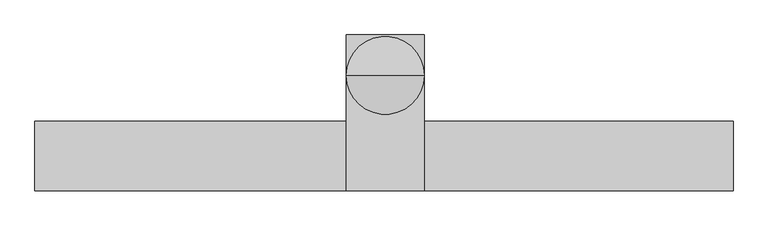
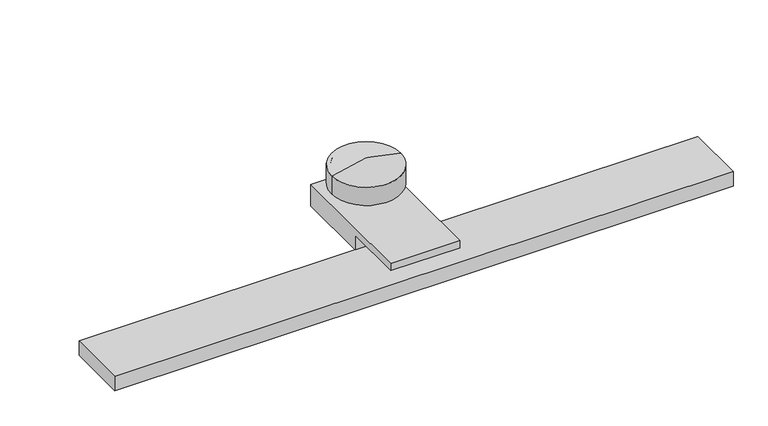
"""IFC4 building model written with IfcOpenShell, lengths in millimetres: geographic element geometry."""

import ifcopenshell
import ifcopenshell.guid

model = None  # the IFC model being written
_history = None  # IfcOwnerHistory: only IFC2X3 demands one
_inside = {}  # id of a spatial element -> (the spatial element, [elements in it])
_under = {}  # id of a project, library or spatial element -> (it, [spatial elements below it])
_declared = {}  # id of a project -> (the project, [libraries it declares])
_typed = {}  # id of a type object -> (the type object, [elements of that type])
_made_of = {}  # id of a material, layer set ... -> (it, [elements and type objects made of it])


def new_model(schema):
    """Start an empty IFC model of exactly this schema.

    Asked for "IFC4X3", IfcOpenShell would pick the latest addendum, in which some entities
    have other attributes; the version numbers below select the first issue.
    IFC2X3 requires an IfcOwnerHistory on every rooted entity: one is made here for all.
    """
    global model, _history
    if schema == "IFC4X3":
        model = ifcopenshell.file(schema_version=(4, 3, 0, 0))
    else:
        model = ifcopenshell.file(schema=schema)
    _inside.clear()
    _under.clear()
    _declared.clear()
    _typed.clear()
    _made_of.clear()
    _history = None
    if model.schema == "IFC2X3":
        org = make("IfcOrganization", Name="unknown")
        user = make(
            "IfcPersonAndOrganization",
            ThePerson=make("IfcPerson", FamilyName="unknown"),
            TheOrganization=org,
        )
        app = make(
            "IfcApplication",
            ApplicationDeveloper=org,
            Version="unknown",
            ApplicationFullName="unknown",
            ApplicationIdentifier="unknown",
        )
        _history = make(
            "IfcOwnerHistory",
            OwningUser=user,
            OwningApplication=app,
            ChangeAction="ADDED",
            CreationDate=0,
        )
    return model


def make(cls, **values):
    """One entity of the class cls with the attributes given. An attribute that is None is left unset."""
    return model.create_entity(
        cls, **{name: value for name, value in values.items() if value is not None}
    )


def rooted(cls, **values):
    """An entity with a GlobalId (a new one), such as an element, a storey or a relation."""
    return make(cls, GlobalId=ifcopenshell.guid.new(), OwnerHistory=_history, **values)


def si_unit(unit_type, name, prefix=None):
    """IfcSIUnit, for example si_unit("LENGTHUNIT", "METRE", prefix="MILLI")."""
    return make("IfcSIUnit", UnitType=unit_type, Prefix=prefix, Name=name)


def assignment(units):
    """IfcUnitAssignment: the units of a project."""
    return None if units is None else make("IfcUnitAssignment", Units=units)


def point(xyz):
    """IfcCartesianPoint."""
    return None if xyz is None else make("IfcCartesianPoint", Coordinates=xyz)


def direction(xyz):
    """IfcDirection."""
    return None if xyz is None else make("IfcDirection", DirectionRatios=xyz)


def frame(location, z_axis=None, x_axis=None):
    """IfcAxis2Placement3D, a coordinate frame: its origin and axes. An axis left out is left unset."""
    return make(
        "IfcAxis2Placement3D",
        Location=point(location),
        Axis=direction(z_axis),
        RefDirection=direction(x_axis),
    )


def origin():
    """The frame at (0, 0, 0) with its axes left unset."""
    return frame((0.0, 0.0, 0.0))


def place(relative_to, where):
    """IfcLocalPlacement: puts the frame where relative to a parent placement (None: the world)."""
    return make(
        "IfcLocalPlacement", PlacementRelTo=relative_to, RelativePlacement=where
    )


def context(
    kind, dimensions, precision=None, world=None, true_north=None, identifier=None
):
    """IfcGeometricRepresentationContext, for example the 3D "Model" context."""
    return make(
        "IfcGeometricRepresentationContext",
        ContextIdentifier=identifier,
        ContextType=kind,
        CoordinateSpaceDimension=dimensions,
        Precision=precision,
        WorldCoordinateSystem=world,
        TrueNorth=true_north,
    )


def project(units=None, contexts=None):
    """IfcProject with its units and contexts."""
    return rooted(
        "IfcProject",
        Name="project",
        RepresentationContexts=contexts,
        UnitsInContext=assignment(units),
    )


def spatial(cls, under=None, at=None, **own):
    """A site, building, storey or space (cls), placed at a placement, below another one or the project."""
    s = rooted(cls, ObjectPlacement=at, **own)
    if under is not None:
        _under.setdefault(under.id(), (under, []))[1].append(s)
    return s


def polyline(points):
    """IfcPolyline through the points."""
    return make("IfcPolyline", Points=[point(p) for p in points])


def circle_curve(where, radius):
    """IfcCircle in the frame where."""
    return make("IfcCircle", Position=where, Radius=radius)


def outline(outer, holes=None, kind="AREA"):
    """IfcArbitraryClosedProfileDef: a profile drawn as a closed curve; with holes, ...WithVoids."""
    if holes is None:
        return make("IfcArbitraryClosedProfileDef", ProfileType=kind, OuterCurve=outer)
    return make(
        "IfcArbitraryProfileDefWithVoids",
        ProfileType=kind,
        OuterCurve=outer,
        InnerCurves=holes,
    )


def extrude(swept, where, along, depth):
    """IfcExtrudedAreaSolid: the profile swept, set in the frame where, extruded along a direction by depth."""
    return make(
        "IfcExtrudedAreaSolid",
        SweptArea=swept,
        Position=where,
        ExtrudedDirection=direction(along),
        Depth=depth,
    )


def shape(context_of_items, identifier, shape_type, items):
    """IfcShapeRepresentation: the items that make up one representation, for example the "Body"."""
    return make(
        "IfcShapeRepresentation",
        ContextOfItems=context_of_items,
        RepresentationIdentifier=identifier,
        RepresentationType=shape_type,
        Items=items,
    )


def source(mapping_origin, context_of_items, identifier, shape_type, items):
    """IfcRepresentationMap: a shape defined once, which mapped items show again and again."""
    return make(
        "IfcRepresentationMap",
        MappingOrigin=mapping_origin,
        MappedRepresentation=shape(context_of_items, identifier, shape_type, items),
    )


def transform(
    local_origin,
    x_axis=None,
    y_axis=None,
    z_axis=None,
    scale=None,
    scale2=None,
    scale3=None,
    uniform=True,
):
    """IfcCartesianTransformationOperator3D, or its non-uniform kind. x_axis, y_axis, z_axis: its Axis1, 2, 3."""
    if uniform:
        return make(
            "IfcCartesianTransformationOperator3D",
            Axis1=direction(x_axis),
            Axis2=direction(y_axis),
            LocalOrigin=point(local_origin),
            Scale=scale,
            Axis3=direction(z_axis),
        )
    return make(
        "IfcCartesianTransformationOperator3DnonUniform",
        Axis1=direction(x_axis),
        Axis2=direction(y_axis),
        LocalOrigin=point(local_origin),
        Scale=scale,
        Axis3=direction(z_axis),
        Scale2=scale2,
        Scale3=scale3,
    )


def mapped(mapping_source, mapping_target):
    """IfcMappedItem: shows the shape of a source again, moved by a transform."""
    return make(
        "IfcMappedItem", MappingSource=mapping_source, MappingTarget=mapping_target
    )


def made_of(thing, what):
    """Note that an element or type object is made of a material, layer set ...; save() writes the relation."""
    if what is not None:
        _made_of.setdefault(what.id(), (what, []))[1].append(thing)
    return thing


def element(
    cls,
    number,
    at=None,
    inside=None,
    cuts=None,
    type_object=None,
    material=None,
    context=None,
    identifier="Body",
    shape_type=None,
    held_by="IfcProductDefinitionShape",
    body=None,
    shapes=None,
    **own,
):
    """One element of the class cls, such as IfcWall. Its Tag is "e" and its number.

    at: its placement. inside: the storey or other place that contains it. cuts: it is an
    opening in that element (IfcRelVoidsElement). A single representation is given by context,
    identifier, shape_type and body (its items); several are given by shapes. held_by: the class
    of the entity that holds the representations. save() writes the other relations.
    """
    e = rooted(cls, Tag="e%d" % number, ObjectPlacement=at, **own)
    if body is not None:
        shapes = [shape(context, identifier, shape_type, body)]
    if shapes is not None:
        e.Representation = make(held_by, Representations=shapes)
    if inside is not None:
        _inside.setdefault(inside.id(), (inside, []))[1].append(e)
    if cuts is not None:
        rooted(
            "IfcRelVoidsElement", RelatingBuildingElement=cuts, RelatedOpeningElement=e
        )
    if type_object is not None:
        _typed.setdefault(type_object.id(), (type_object, []))[1].append(e)
    return made_of(e, material)


def aggregate(whole, parts):
    """IfcRelAggregates: a whole, such as a stair, and the parts it consists of."""
    return rooted("IfcRelAggregates", RelatingObject=whole, RelatedObjects=parts)


def save(model, path):
    """Write the relations noted so far, then the file.

    IfcRelAggregates (storeys below a building ...), IfcRelContainedInSpatialStructure (elements
    in a storey), IfcRelDefinesByType, IfcRelAssociatesMaterial and IfcRelDeclares: one each for
    every whole, place, type object, material and project.
    """
    for whole, parts in _under.values():
        aggregate(whole, parts)
    for where, things in _inside.values():
        rooted(
            "IfcRelContainedInSpatialStructure",
            RelatedElements=things,
            RelatingStructure=where,
        )
    for kind, things in _typed.values():
        rooted("IfcRelDefinesByType", RelatedObjects=things, RelatingType=kind)
    for what, things in _made_of.values():
        rooted("IfcRelAssociatesMaterial", RelatedObjects=things, RelatingMaterial=what)
    for by, libraries in _declared.values():
        rooted("IfcRelDeclares", RelatingContext=by, RelatedDefinitions=libraries)
    model.write(path)


def plane_surface(at):
    """IfcPlane: the flat surface through the origin of the frame at, square to its z axis."""
    return make("IfcPlane", Position=at)


def cylinder_surface(at, radius):
    """IfcCylindricalSurface: all points at the distance radius from the z axis of the frame at."""
    return make("IfcCylindricalSurface", Position=at, Radius=radius)


def revolved_surface(curve, axis_point, axis_direction):
    """IfcSurfaceOfRevolution: the curve turned about the line through axis_point along axis_direction."""
    return make(
        "IfcSurfaceOfRevolution",
        SweptCurve=make("IfcArbitraryOpenProfileDef", ProfileType="CURVE", Curve=curve),
        AxisPosition=make("IfcAxis1Placement", Location=point(axis_point), Axis=direction(axis_direction)),
    )


def advanced_brep(points, edges, surfaces, faces):
    """IfcAdvancedBrep: a solid bounded by faces that lie on surfaces and meet in shared edges.

    An edge is (start, end): straight between two places in points (the first is 0);
    or (start, end, curve); or (start, end, curve, False) where it runs against its curve.
    A face is (place in surfaces, loops), or (place, loops, False) where it looks against
    its surface's normal. A loop lists edges by number (the first is 1), with a minus sign
    where the edge is run from its end to its start. The first loop is the outer one.
    """
    corners = [point(p) for p in points]
    vertices = [make("IfcVertexPoint", VertexGeometry=c) for c in corners]
    made = []
    for start, end, *more in edges:
        made.append(
            make(
                "IfcEdgeCurve",
                EdgeStart=vertices[start],
                EdgeEnd=vertices[end],
                EdgeGeometry=more[0] if more else make("IfcPolyline", Points=[corners[start], corners[end]]),
                SameSense=more[1] if len(more) > 1 else True,
            )
        )
    hull = []
    for where, loops, *sense in faces:
        bounds = []
        for j, loop in enumerate(loops):
            ring = [make("IfcOrientedEdge", EdgeElement=made[abs(k) - 1], Orientation=k > 0) for k in loop]
            bounds.append(
                make(
                    "IfcFaceOuterBound" if j == 0 else "IfcFaceBound",
                    Bound=make("IfcEdgeLoop", EdgeList=ring),
                    Orientation=True,
                )
            )
        hull.append(make("IfcAdvancedFace", Bounds=bounds, FaceSurface=surfaces[where], SameSense=sense[0] if sense else True))
    return make("IfcAdvancedBrep", Outer=make("IfcClosedShell", CfsFaces=hull))


def geographic_element_312f8074(model_context):
    return source(origin(), model_context, "Body", "SolidModel", [
        advanced_brep(
        [(-101.6, 0.0, 24295.1), (101.6, 0.0, 24295.1), (101.6, 0.0, 24358.6), (-101.6, 0.0, 24358.6), (-114.3, 0.0, 24295.1), (114.3, 0.0, 24295.1), (-114.3, 0.0, 24358.6), (114.3, 0.0, 24358.6), (0.0, 0.0, 24384.0), (0.0, 0.0, 24358.6)],
        [
            (0, 1, circle_curve(frame((0.0, 0.0, 24295.1), z_axis=(0.0, 0.0, -1.0), x_axis=(1.0, 0.0, 0.0)), 101.6)),
            (1, 2),
            (2, 3, circle_curve(frame((0.0, 0.0, 24358.6), z_axis=(0.0, 0.0, 1.0), x_axis=(1.0, 0.0, 0.0)), 101.6)),
            (3, 0),
            (1, 0, circle_curve(frame((0.0, 0.0, 24295.1), z_axis=(0.0, 0.0, -1.0), x_axis=(1.0, 0.0, 0.0)), 101.6)),
            (3, 2, circle_curve(frame((0.0, 0.0, 24358.6), z_axis=(0.0, 0.0, 1.0), x_axis=(1.0, 0.0, 0.0)), 101.6)),
            (4, 5, circle_curve(frame((0.0, 0.0, 24295.1), z_axis=(0.0, 0.0, -1.0), x_axis=(1.0, 0.0, 0.0)), 114.3)),
            (5, 1),
            (0, 4),
            (5, 4, circle_curve(frame((0.0, 0.0, 24295.1), z_axis=(0.0, 0.0, -1.0), x_axis=(1.0, 0.0, 0.0)), 114.3)),
            (6, 7, circle_curve(frame((0.0, 0.0, 24358.6), z_axis=(0.0, 0.0, -1.0), x_axis=(1.0, 0.0, 0.0)), 114.3)),
            (7, 5),
            (4, 6),
            (7, 6, circle_curve(frame((0.0, 0.0, 24358.6), z_axis=(0.0, 0.0, -1.0), x_axis=(1.0, 0.0, 0.0)), 114.3)),
            (8, 7),
            (6, 8),
            (2, 9),
            (9, 3),
        ],
        [
            revolved_surface(polyline([(101.6, 0.0, 24358.6), (101.6, 0.0, 24295.1)]), (0.0, 0.0, 24072.85), (0.0, 0.0, 1.0)),
            plane_surface(frame((0.0, 0.0, 24295.1), z_axis=(0.0, 0.0, -1.0), x_axis=(1.0, 0.0, 0.0))),
            cylinder_surface(frame((0.0, 0.0, 24072.85), z_axis=(0.0, 0.0, 1.0), x_axis=(1.0, 0.0, 0.0)), 114.3),
            revolved_surface(polyline([(114.3, 0.0, 24358.6), (0.0, 0.0, 24384.0)]), (0.0, 0.0, 24072.85), (0.0, 0.0, 1.0)),
            plane_surface(frame((0.0, 0.0, 24358.6), z_axis=(0.0, 0.0, -1.0), x_axis=(1.0, 0.0, 0.0))),
        ],
        [
            (0, [[1, 2, 3, 4]]),
            (0, [[5, -4, 6, -2]]),
            (1, [[7, 8, -1, 9]]),
            (1, [[10, -9, -5, -8]]),
            (2, [[11, 12, -7, 13]]),
            (2, [[14, -13, -10, -12]]),
            (3, [[15, -11, 16]]),
            (3, [[-16, -14, -15]]),
            (4, [[-3, 17, 18]]),
            (4, [[-6, -18, -17]]),
        ],
    ),
        extrude(outline(polyline([(-135.030614, 24231.6), (-338.230614, 24231.6), (-338.230614, 24257.0), (118.969386, 24257.0), (118.969386, 24180.8), (-135.030614, 24180.8), (-135.030614, 24231.6)])), frame((-114.3, 0.0, 0.0), z_axis=(1.0, 0.0, 0.0), x_axis=(0.0, 1.0, 0.0)), (0.0, 0.0, 1.0), 228.6),
        extrude(outline(polyline([(1021.1156421, -135.030614), (1021.1156421, -338.230614), (-1029.2689947, -338.230614), (-1029.2689947, -135.030614), (1021.1156421, -135.030614)])), frame((0.0, 0.0, 24130.8388483), z_axis=(0.0, 0.0, 1.0), x_axis=(1.0, 0.0, 0.0)), (0.0, 0.0, 1.0), 50.8),
    ])


if __name__ == "__main__":
    model = new_model("IFC4")
    model_context = context("Model", 3, world=origin())
    ifc_project = project(units=[si_unit("LENGTHUNIT", "METRE", prefix="MILLI")], contexts=[model_context])
    site = spatial("IfcSite", under=ifc_project)
    building = spatial("IfcBuilding", under=site)
    placement = place(None, origin())
    geographic_element_shape = geographic_element_312f8074(model_context)
    element("IfcGeographicElement", 1, at=placement, inside=building, context=model_context, shape_type="MappedRepresentation", body=[
        mapped(geographic_element_shape, transform((0.0, 0.0, 0.0), x_axis=(1.0, 0.0, 0.0), y_axis=(0.0, 1.0, 0.0), z_axis=(0.0, 0.0, 1.0))),
    ])
    save(model, "model.ifc")
